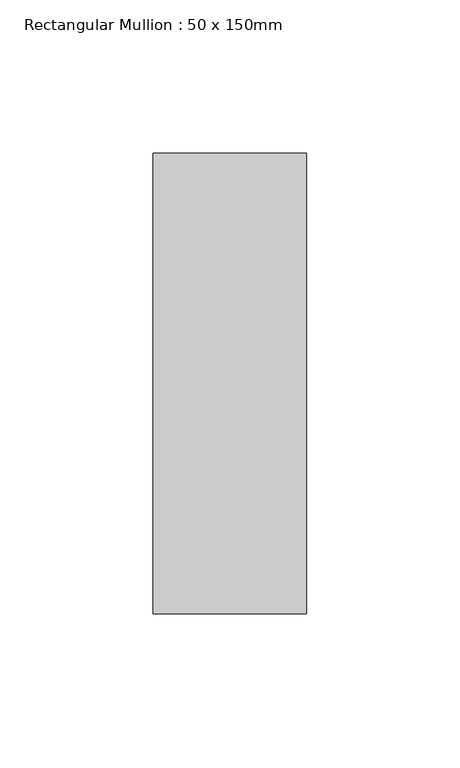
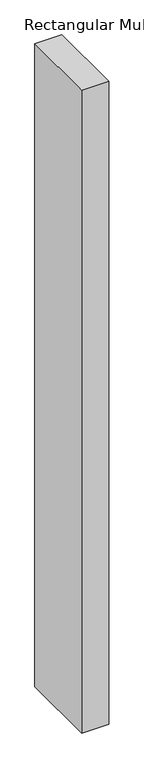
"""IFC4 building model written with IfcOpenShell, lengths in millimetres: member geometry, Rectangular Mullion : 50 x 150mm."""

from ifc_helpers import new_model, si_unit, frame, origin, place, context, project, spatial, polyline, outline, extrude, source, transform, mapped, element, save


def rectangular_mullion_50_x_150mm_df526b55(model_context):
    return source(origin(), model_context, "Body", "SweptSolid", [
        extrude(outline(polyline([(25.0, 75.0), (25.0, -75.0), (-25.0, -75.0), (-25.0, 75.0), (25.0, 75.0)])), frame((0.0, 0.0, -1258.3333335), z_axis=(0.0, 0.0, 1.0), x_axis=(1.0, 0.0, 0.0)), (0.0, 0.0, 1.0), 1258.3333335),
    ])


if __name__ == "__main__":
    model = new_model("IFC4")
    model_context = context("Model", 3, world=origin())
    ifc_project = project(units=[si_unit("LENGTHUNIT", "METRE", prefix="MILLI")], contexts=[model_context])
    site = spatial("IfcSite", under=ifc_project)
    building = spatial("IfcBuilding", under=site)
    placement = place(None, origin())
    rectangular_mullion_50_x_150mm_shape = rectangular_mullion_50_x_150mm_df526b55(model_context)
    element("IfcMember", 1, ObjectType="Rectangular Mullion : 50 x 150mm", at=placement, inside=building, context=model_context, shape_type="MappedRepresentation", body=[
        mapped(rectangular_mullion_50_x_150mm_shape, transform((0.0, 0.0, 0.0), x_axis=(1.0, 0.0, 0.0), y_axis=(0.0, 1.0, 0.0), z_axis=(0.0, 0.0, 1.0))),
    ])
    save(model, "model.ifc")
